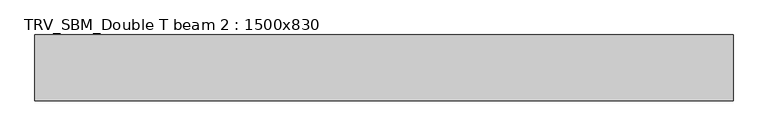
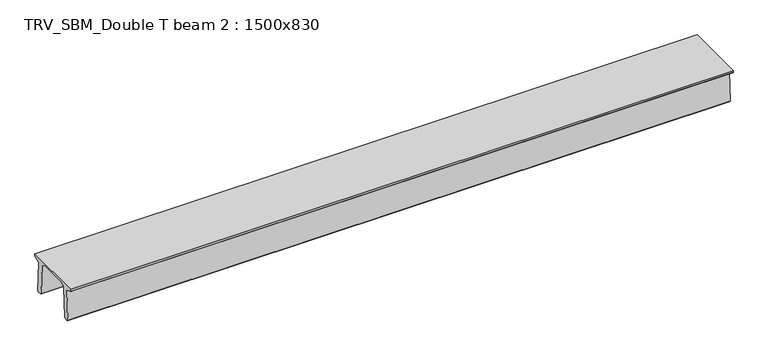
"""IFC4 building model written with IfcOpenShell, lengths in millimetres: beam geometry, TRV_SBM_Double T beam 2 : 1500x830."""

from ifc_helpers import new_model, si_unit, frame, origin, place, context, project, spatial, polyline, outline, extrude, source, transform, mapped, element, save


def trv_sbm_double_t_beam_2_1500x830_4fc86938(model_context):
    return source(origin(), model_context, "Body", "SweptSolid", [
        extrude(outline(polyline([(337.4555014, 470.0), (-343.4555014, 470.0), (-456.5828437, 409.8491251), (-494.786332, -340.5206011), (-514.2657308, -360.0), (-604.2657308, -360.0), (-624.8277662, -339.4379646), (-586.9373878, 401.9654693), (-752.8511046, 468.9989621), (-753.0, 475.0), (-753.0, 520.0), (747.0, 520.0), (747.0, 475.0), (746.8511046, 468.9989621), (580.9373878, 401.9654693), (618.8277662, -339.4379646), (598.2657308, -360.0), (508.2657308, -360.0), (488.786332, -340.5206011), (450.5828437, 409.8491251), (337.4555014, 470.0)])), frame((-7962.5, 0.0, 0.0), z_axis=(1.0, 0.0, 0.0), x_axis=(0.0, 1.0, 0.0)), (0.0, 0.0, 1.0), 15925.0),
    ])


if __name__ == "__main__":
    model = new_model("IFC4")
    model_context = context("Model", 3, world=origin())
    ifc_project = project(units=[si_unit("LENGTHUNIT", "METRE", prefix="MILLI")], contexts=[model_context])
    site = spatial("IfcSite", under=ifc_project)
    building = spatial("IfcBuilding", under=site)
    placement = place(None, origin())
    trv_sbm_double_t_beam_2_1500x830_shape = trv_sbm_double_t_beam_2_1500x830_4fc86938(model_context)
    element("IfcBeam", 1, ObjectType="TRV_SBM_Double T beam 2 : 1500x830", at=placement, inside=building, context=model_context, shape_type="MappedRepresentation", body=[
        mapped(trv_sbm_double_t_beam_2_1500x830_shape, transform((0.0, 0.0, 0.0), x_axis=(1.0, 0.0, 0.0), y_axis=(0.0, 1.0, 0.0), z_axis=(0.0, 0.0, 1.0))),
    ])
    save(model, "model.ifc")
